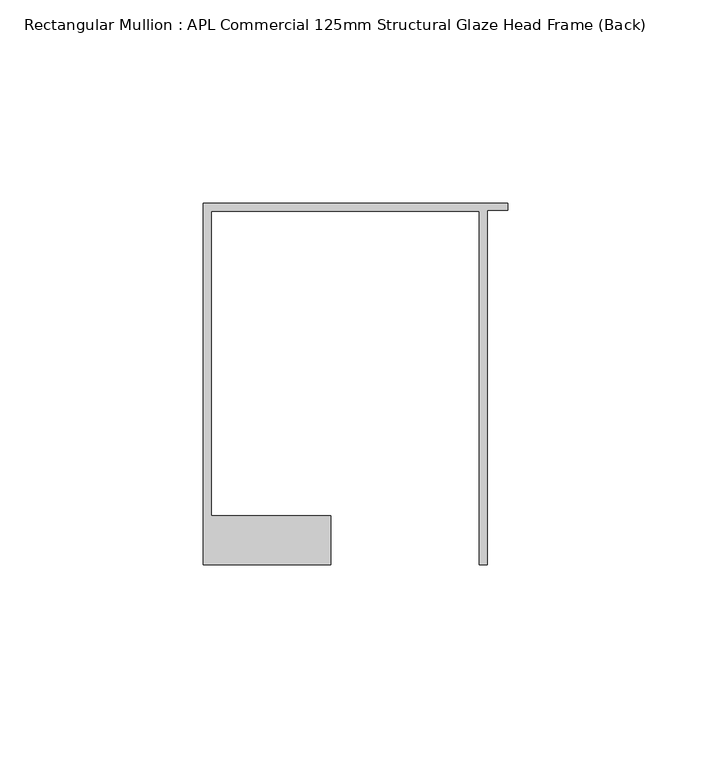
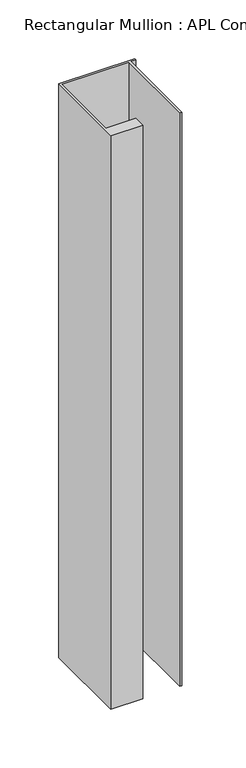
"""IFC4 building model written with IfcOpenShell, lengths in millimetres: member geometry, Rectangular Mullion : APL Commercial 125mm Structural Glaze Head Frame (Back)."""

from ifc_helpers import new_model, si_unit, frame, origin, place, context, project, spatial, polyline, outline, extrude, source, transform, mapped, element, save


def rectangular_mullion_apl_commercial_125mm_structural_glaze_4bf07e18(model_context):
    return source(origin(), model_context, "Body", "SweptSolid", [
        extrude(outline(polyline([(-75.0, 103.9993063), (0.0, 103.9993063), (0.0, 102.1993063), (-5.0, 102.1993063), (-5.0, 14.9998342), (-7.0, 14.9998342), (-7.0, 101.9993063), (-73.0, 101.9993063), (-73.0, 26.9997514), (-43.5000151, 26.9997514), (-43.5000151, 14.9998342), (-75.0, 14.9998342), (-75.0, 103.9993063)])), frame((0.0, 0.0, -597.1422708), z_axis=(0.0, 0.0, 1.0), x_axis=(1.0, 0.0, 0.0)), (0.0, 0.0, 1.0), 597.1422708),
    ])


if __name__ == "__main__":
    model = new_model("IFC4")
    model_context = context("Model", 3, world=origin())
    ifc_project = project(units=[si_unit("LENGTHUNIT", "METRE", prefix="MILLI")], contexts=[model_context])
    site = spatial("IfcSite", under=ifc_project)
    building = spatial("IfcBuilding", under=site)
    placement = place(None, origin())
    rectangular_mullion_apl_commercial_125mm_structural_glaze_shape = rectangular_mullion_apl_commercial_125mm_structural_glaze_4bf07e18(model_context)
    element("IfcMember", 1, ObjectType="Rectangular Mullion : APL Commercial 125mm Structural Glaze Head Frame (Back)", at=placement, inside=building, context=model_context, shape_type="MappedRepresentation", body=[
        mapped(rectangular_mullion_apl_commercial_125mm_structural_glaze_shape, transform((0.0, 0.0, 0.0), x_axis=(1.0, 0.0, 0.0), y_axis=(0.0, 1.0, 0.0), z_axis=(0.0, 0.0, 1.0))),
    ])
    save(model, "model.ifc")
